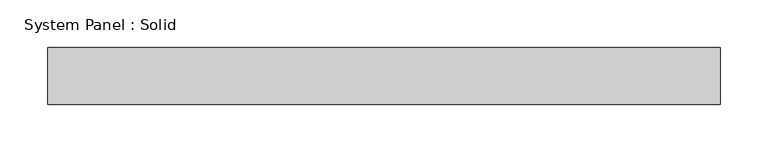
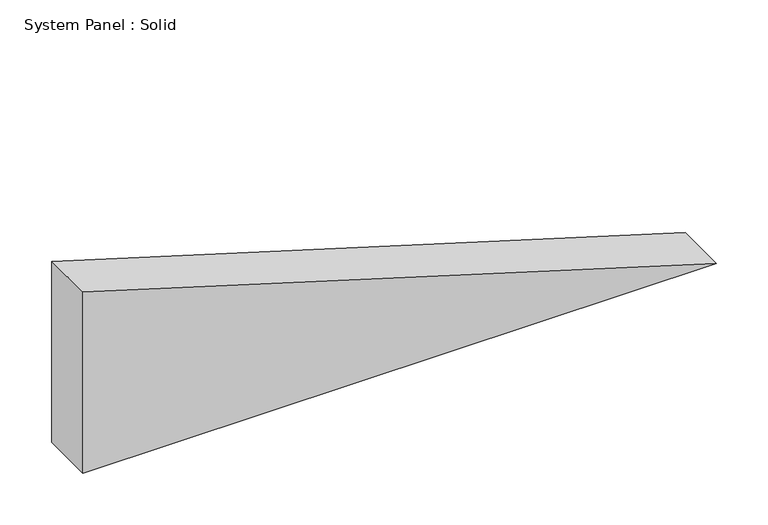
"""IFC4 building model written with IfcOpenShell, lengths in millimetres: plate geometry, System Panel : Solid."""

from ifc_helpers import new_model, si_unit, frame, origin, place, context, project, spatial, polyline, outline, extrude, source, transform, mapped, element, save


def system_panel_solid_55e49b3d(model_context):
    return source(origin(), model_context, "Body", "SweptSolid", [
        extrude(outline(polyline([(0.0, -353.6399167), (0.0, 353.6399167), (213.8805306, -353.6399167), (0.0, -353.6399167)])), frame((0.0, -10.5, 0.0), z_axis=(0.0, 1.0, 0.0), x_axis=(0.0, 0.0, 1.0)), (0.0, 0.0, 1.0), 60.0),
    ])


if __name__ == "__main__":
    model = new_model("IFC4")
    model_context = context("Model", 3, world=origin())
    ifc_project = project(units=[si_unit("LENGTHUNIT", "METRE", prefix="MILLI")], contexts=[model_context])
    site = spatial("IfcSite", under=ifc_project)
    building = spatial("IfcBuilding", under=site)
    placement = place(None, origin())
    system_panel_solid_shape = system_panel_solid_55e49b3d(model_context)
    element("IfcPlate", 1, ObjectType="System Panel : Solid", at=placement, inside=building, context=model_context, shape_type="MappedRepresentation", body=[
        mapped(system_panel_solid_shape, transform((0.0, 0.0, 0.0), x_axis=(1.0, 0.0, 0.0), y_axis=(0.0, 1.0, 0.0), z_axis=(0.0, 0.0, 1.0))),
    ])
    save(model, "model.ifc")
